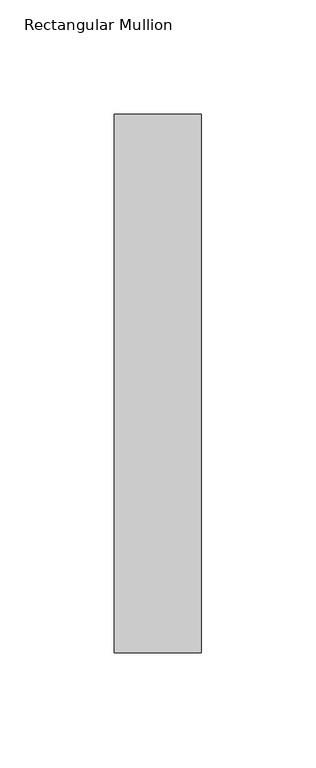
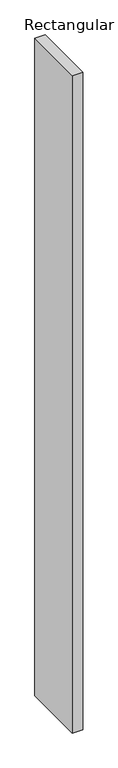
"""IFC4 building model written with IfcOpenShell, lengths in millimetres: member geometry, Rectangular Mullion."""

from ifc_helpers import new_model, si_unit, frame, origin, place, context, project, spatial, polyline, outline, extrude, source, transform, mapped, element, save


def rectangular_mullion_a73f6221(model_context):
    return source(origin(), model_context, "Body", "SweptSolid", [
        extrude(outline(polyline([(0.0, 0.0), (0.0, -235.0), (-38.0, -235.0), (-38.0, 0.0), (0.0, 0.0)])), frame((0.0, 0.0, -2524.0), z_axis=(0.0, 0.0, 1.0), x_axis=(1.0, 0.0, 0.0)), (0.0, 0.0, 1.0), 2524.0),
    ])


if __name__ == "__main__":
    model = new_model("IFC4")
    model_context = context("Model", 3, world=origin())
    ifc_project = project(units=[si_unit("LENGTHUNIT", "METRE", prefix="MILLI")], contexts=[model_context])
    site = spatial("IfcSite", under=ifc_project)
    building = spatial("IfcBuilding", under=site)
    placement = place(None, origin())
    rectangular_mullion_shape = rectangular_mullion_a73f6221(model_context)
    element("IfcMember", 1, ObjectType="Rectangular Mullion", at=placement, inside=building, context=model_context, shape_type="MappedRepresentation", body=[
        mapped(rectangular_mullion_shape, transform((0.0, 0.0, 0.0), x_axis=(1.0, 0.0, 0.0), y_axis=(0.0, 1.0, 0.0), z_axis=(0.0, 0.0, 1.0))),
    ])
    save(model, "model.ifc")
